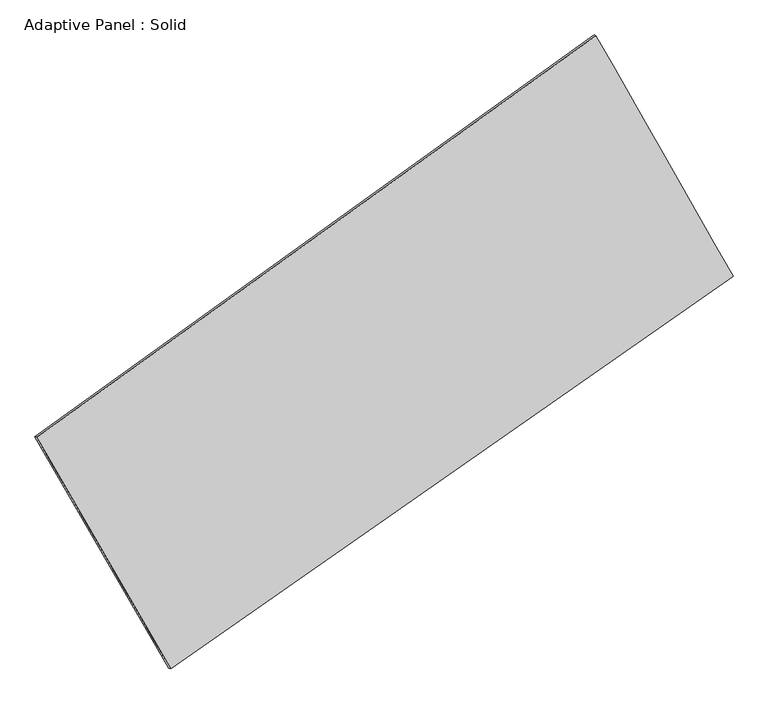
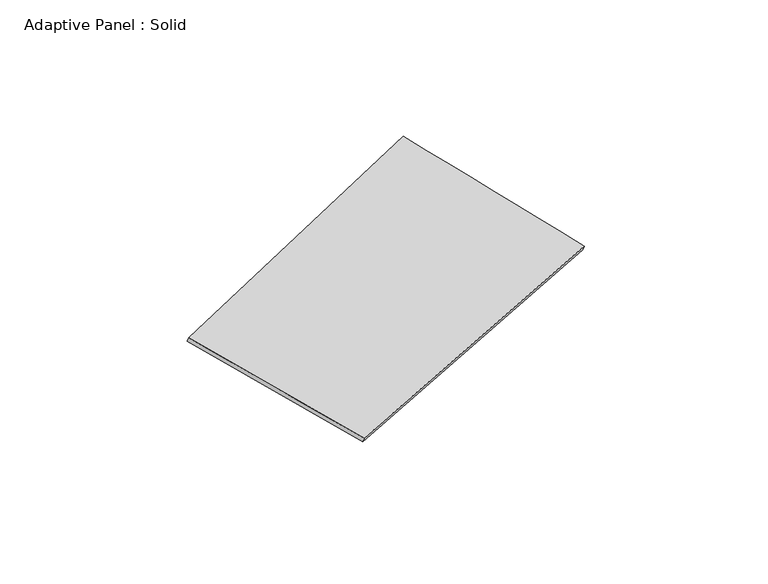
"""IFC4 building model written with IfcOpenShell, lengths in millimetres: plate geometry, Adaptive Panel : Solid."""

from ifc_helpers import new_model, si_unit, frame, origin, place, context, project, spatial, source, transform, mapped, element, save
from ifc_brep_helpers import plane_surface, spline_surface, advanced_brep


def adaptive_panel_solid_c7550a0b(model_context):
    return source(origin(), model_context, "Body", "AdvancedBrep", [
        advanced_brep(
        [(1138.727492, 2593.3423478, 696.7059332), (-3584.5769018, -799.2795074, 1667.9444445), (-3569.9105459, -805.6596009, 1715.3173525), (1153.3938479, 2586.9622543, 744.0788413), (-2454.0446714, -2754.6826972, 1089.4739458), (-2439.3783156, -2761.0627907, 1136.8468538), (2296.603503, 560.3712841, 30.9981967), (2311.2698588, 553.9911906, 78.3711047)],
        [
            (0, 1),
            (1, 2),
            (2, 3),
            (3, 0),
            (1, 4),
            (4, 5),
            (5, 2),
            (4, 6),
            (6, 7),
            (7, 5),
            (6, 0),
            (3, 7),
        ],
        [
            plane_surface(frame((-1222.9247049, 897.0314202, 1182.3251889), z_axis=(-0.5241660519147644, 0.8073434948355275, 0.27101002078676995), x_axis=(-0.8011034676102191, -0.575410963569558, 0.164728434663951))),
            plane_surface(frame((-3019.3107866, -1776.9811023, 1378.7091951), z_axis=(-0.8263316061147413, -0.5322270946422863, 0.18414775715295312), x_axis=(0.4848751504965733, -0.8386549188951907, -0.24810081709624918))),
            plane_surface(frame((-78.7205842, -1097.1557066, 560.2360713), z_axis=(0.510431475084815, -0.8170676343424047, -0.26806751043878163), x_axis=(0.8067184987726616, 0.5629369452200548, -0.17974220273574112))),
            plane_surface(frame((1717.6654975, 1576.8568159, 363.852065), z_axis=(0.8268498236910138, 0.531323819499387, -0.18442984545545366), x_axis=(-0.4760121754622491, 0.8357708161411742, 0.2736778246376799))),
            spline_surface(1, 1, [[(-3569.9105459, -805.6596009, 1715.3173525), (1153.3938479, 2586.9622543, 744.0788413)], [(-2439.3783156, -2761.0627907, 1136.8468538), (2311.2698588, 553.9911906, 78.3711047)]], [2, 2], [2, 2], [0.0, 1.0], [0.0, 1.0]),
            spline_surface(1, 1, [[(2296.603503, 560.3712841, 30.9981967), (1138.727492, 2593.3423478, 696.7059332)], [(-2454.0446714, -2754.6826972, 1089.4739458), (-3584.5769018, -799.2795074, 1667.9444445)]], [2, 2], [2, 2], [0.0, 1.0], [0.0, 1.0]),
        ],
        [
            (0, [[1, 2, 3, 4]]),
            (1, [[5, 6, 7, -2]]),
            (2, [[8, 9, 10, -6]]),
            (3, [[11, -4, 12, -9]]),
            (4, [[-3, -7, -10, -12]]),
            (5, [[-11, -8, -5, -1]]),
        ],
    ),
    ])


if __name__ == "__main__":
    model = new_model("IFC4")
    model_context = context("Model", 3, world=origin())
    ifc_project = project(units=[si_unit("LENGTHUNIT", "METRE", prefix="MILLI")], contexts=[model_context])
    site = spatial("IfcSite", under=ifc_project)
    building = spatial("IfcBuilding", under=site)
    placement = place(None, origin())
    adaptive_panel_solid_shape = adaptive_panel_solid_c7550a0b(model_context)
    element("IfcPlate", 1, ObjectType="Adaptive Panel : Solid", at=placement, inside=building, context=model_context, shape_type="MappedRepresentation", body=[
        mapped(adaptive_panel_solid_shape, transform((0.0, 0.0, 0.0), x_axis=(1.0, 0.0, 0.0), y_axis=(0.0, 1.0, 0.0), z_axis=(0.0, 0.0, 1.0))),
    ])
    save(model, "model.ifc")
